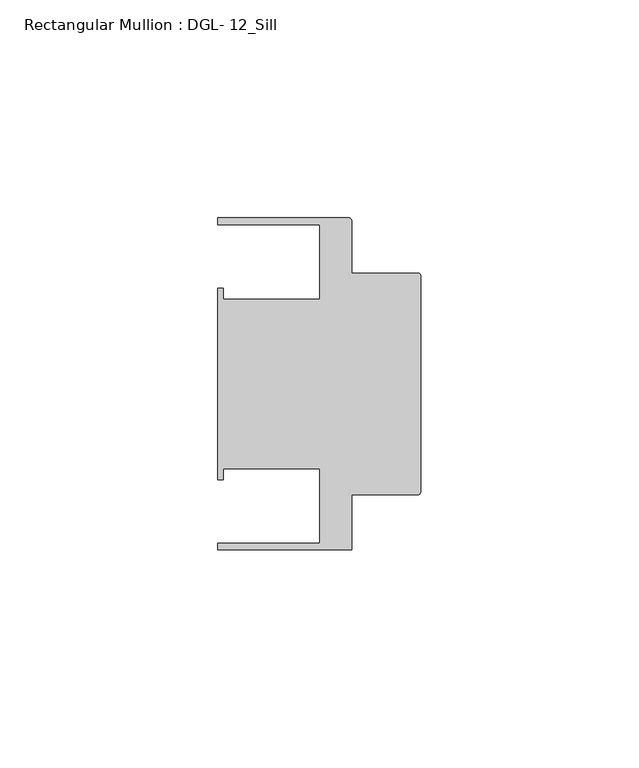
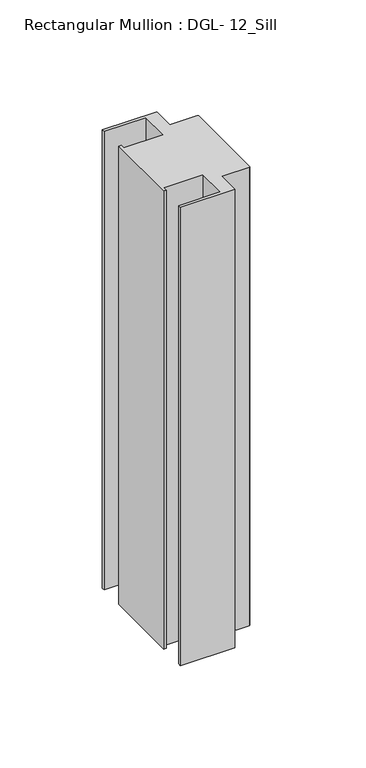
"""IFC4 building model written with IfcOpenShell, lengths in millimetres: member geometry, Rectangular Mullion : DGL- 12_Sill."""

from ifc_helpers import new_model, si_unit, point, frame, frame_2d, origin, place, context, project, spatial, polyline, circle_curve, trimmed, segment, composite_curve, outline, extrude, source, transform, mapped, element, save


def rectangular_mullion_dgl_12_sill_762c60e0(model_context):
    return source(origin(), model_context, "Body", "SweptSolid", [
        extrude(outline(composite_curve([segment(polyline([(-0.5953125, -25.4), (-15.8750672, -25.4), (-15.8750672, -38.0996792), (-46.54296, -38.0996792), (-46.54296, -36.512516), (-23.1202791, -36.512516), (-23.1202791, -19.4824275), (-45.2865266, -19.4824275), (-45.2865266, -21.9710976), (-46.54296, -21.9710976), (-46.54296, 21.9710976), (-45.2865266, 21.9710976), (-45.2865266, 19.4824275), (-23.1202791, 19.4824275), (-23.1202791, 36.512516), (-46.54296, 36.512516), (-46.54296, 38.100016), (-16.4703797, 38.100016)]), True, "CONTINUOUS"), segment(trimmed(circle_curve(frame_2d((-16.4703797, 37.5047035)), 0.5953125), [point((-16.4703797, 38.100016))], [point((-15.8750672, 37.5047035))], False, "CARTESIAN"), True, "CONTINUOUS"), segment(polyline([(-15.8750672, 37.5047035), (-15.8750672, 25.4), (-0.5953125, 25.4)]), True, "CONTINUOUS"), segment(trimmed(circle_curve(frame_2d((-0.5953125, 24.8046875)), 0.5953125), [point((-0.5953125, 25.4))], [point((0.0, 24.8046875))], False, "CARTESIAN"), True, "CONTINUOUS"), segment(polyline([(0.0, 24.8046875), (0.0, -24.8046875)]), True, "CONTINUOUS"), segment(trimmed(circle_curve(frame_2d((-0.5953125, -24.8046875)), 0.5953125), [point((0.0, -24.8046875))], [point((-0.5953125, -25.4))], False, "CARTESIAN"), True, "CONTINUOUS")], self_intersect=False)), frame((0.0, 0.0, -273.0518691), z_axis=(0.0, 0.0, 1.0), x_axis=(1.0, 0.0, 0.0)), (0.0, 0.0, 1.0), 273.0518691),
    ])


if __name__ == "__main__":
    model = new_model("IFC4")
    model_context = context("Model", 3, world=origin())
    ifc_project = project(units=[si_unit("LENGTHUNIT", "METRE", prefix="MILLI")], contexts=[model_context])
    site = spatial("IfcSite", under=ifc_project)
    building = spatial("IfcBuilding", under=site)
    placement = place(None, origin())
    rectangular_mullion_dgl_12_sill_shape = rectangular_mullion_dgl_12_sill_762c60e0(model_context)
    element("IfcMember", 1, ObjectType="Rectangular Mullion : DGL- 12_Sill", at=placement, inside=building, context=model_context, shape_type="MappedRepresentation", body=[
        mapped(rectangular_mullion_dgl_12_sill_shape, transform((0.0, 0.0, 0.0), x_axis=(1.0, 0.0, 0.0), y_axis=(0.0, 1.0, 0.0), z_axis=(0.0, 0.0, 1.0))),
    ])
    save(model, "model.ifc")
